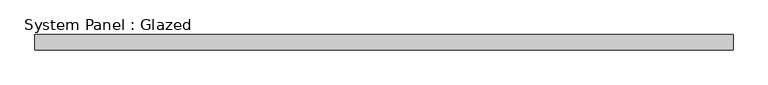
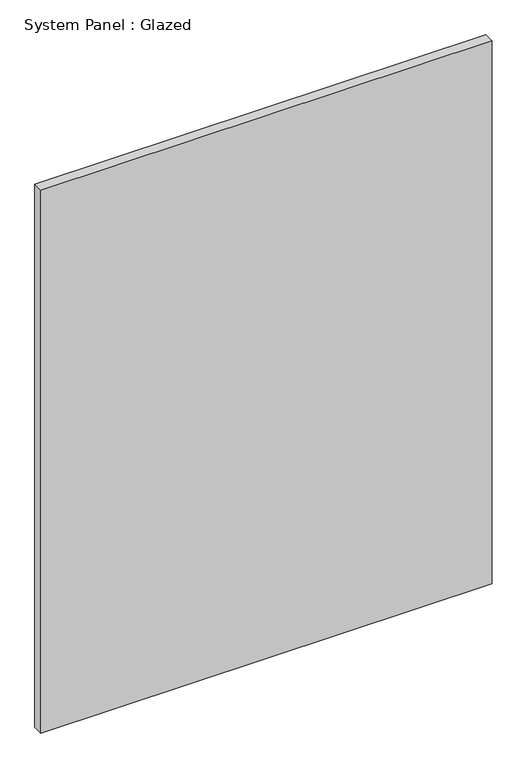
"""IFC4 building model written with IfcOpenShell, lengths in millimetres: plate geometry, System Panel : Glazed."""

from ifc_helpers import new_model, si_unit, origin, origin_with_axes, place, context, project, spatial, polyline, outline, extrude, source, transform, mapped, element, save


def system_panel_glazed_95b32028(model_context):
    return source(origin(), model_context, "Body", "SweptSolid", [
        extrude(outline(polyline([(574.4825378, 19.05), (-574.4825378, 19.05), (-574.4825378, 44.45), (574.4825378, 44.45), (574.4825378, 19.05)])), origin_with_axes(), (0.0, 0.0, 1.0), 1460.5),
    ])


if __name__ == "__main__":
    model = new_model("IFC4")
    model_context = context("Model", 3, world=origin())
    ifc_project = project(units=[si_unit("LENGTHUNIT", "METRE", prefix="MILLI")], contexts=[model_context])
    site = spatial("IfcSite", under=ifc_project)
    building = spatial("IfcBuilding", under=site)
    placement = place(None, origin())
    system_panel_glazed_shape = system_panel_glazed_95b32028(model_context)
    element("IfcPlate", 1, ObjectType="System Panel : Glazed", at=placement, inside=building, context=model_context, shape_type="MappedRepresentation", body=[
        mapped(system_panel_glazed_shape, transform((0.0, 0.0, 0.0), x_axis=(1.0, 0.0, 0.0), y_axis=(0.0, 1.0, 0.0), z_axis=(0.0, 0.0, 1.0))),
    ])
    save(model, "model.ifc")
